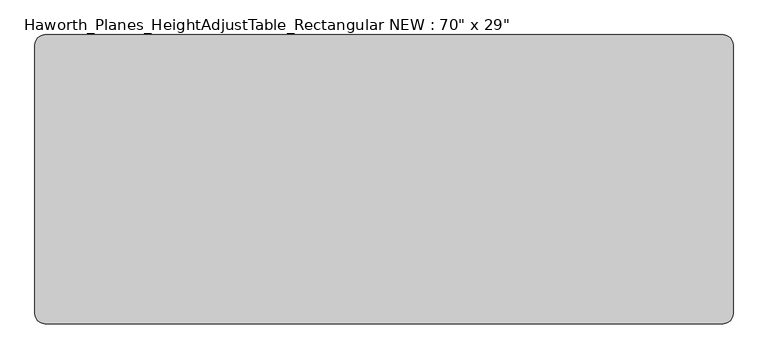
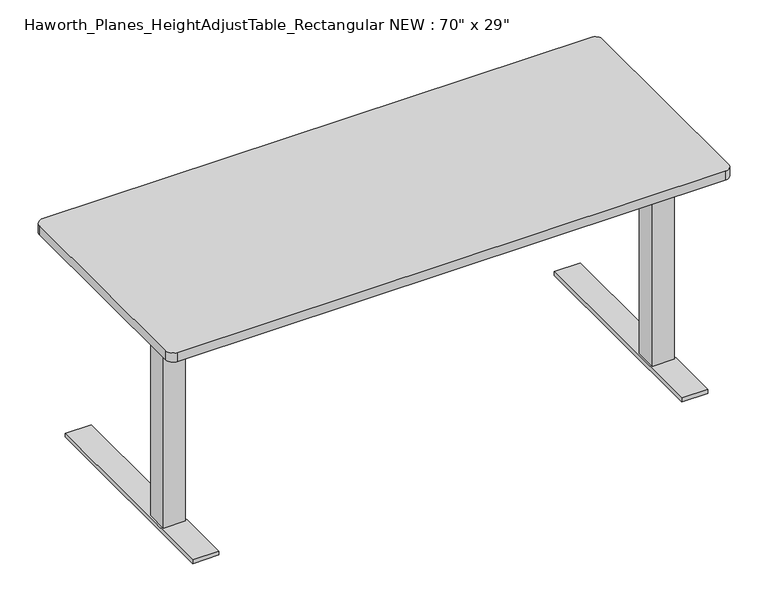
"""IFC4 building model written with IfcOpenShell, lengths in millimetres: furniture geometry."""

from ifc_helpers import new_model, si_unit, point, frame, frame_2d, origin, origin_with_axes, place, context, project, spatial, polyline, circle_curve, trimmed, segment, composite_curve, outline, extrude, faceted_brep, source, transform, mapped, element, save


def furniture_2aca1312(model_context):
    return source(origin(), model_context, "Body", "SolidModel", [
        extrude(outline(polyline([(741.3625, -185.7375), (741.3625, -125.4125), (801.6875, -125.4125), (801.6875, -185.7375), (741.3625, -185.7375)])), frame((0.0, 0.0, 598.4875), z_axis=(0.0, 0.0, 1.0), x_axis=(1.0, 0.0, 0.0)), (0.0, 0.0, 1.0), 107.95),
        faceted_brep([(730.25, -361.95, 9.525), (730.25, -361.95, 22.225), (730.25, 334.9625, 22.225), (730.25, 334.9625, 9.525), (812.8, -361.95, 9.525), (812.8, 334.9625, 9.525), (812.8, 334.9625, 22.225), (812.8, -361.95, 22.225), (736.6, -190.5, 598.4875), (806.45, -190.5, 598.4875), (806.45, -120.65, 598.4875), (736.6, -120.65, 598.4875), (736.6, -190.5, 22.225), (806.45, -190.5, 22.225), (806.45, -120.65, 22.225), (736.6, -120.65, 22.225)], [[[0, 1, 2, 3]], [[4, 5, 6, 7]], [[0, 3, 5, 4]], [[8, 9, 10, 11]], [[9, 8, 12, 13]], [[10, 9, 13, 14]], [[11, 10, 14, 15]], [[8, 11, 15, 12]], [[1, 0, 4, 7]], [[2, 1, 7, 6], [13, 12, 15, 14]], [[3, 2, 6, 5]]]),
        extrude(outline(polyline([(-317.5, 706.4375), (241.3, 706.4375), (241.3, 698.5), (-60.8782415, 639.7625), (-175.5257579, 639.7625), (-317.5, 697.1238172), (-317.5, 706.4375)])), frame((806.45, 0.0, 0.0), z_axis=(1.0, 0.0, 0.0), x_axis=(0.0, 1.0, 0.0)), (0.0, 0.0, 1.0), 3.175),
        extrude(outline(composite_curve([segment(trimmed(circle_curve(frame_2d((771.525, -293.6875)), 28.5342152), [point((800.0592152, -293.6875))], [point((742.9907848, -293.6875))], False, "CARTESIAN"), True, "CONTINUOUS"), segment(trimmed(circle_curve(frame_2d((771.525, -293.6875)), 28.5342152), [point((742.9907848, -293.6875))], [point((800.0592152, -293.6875))], False, "CARTESIAN"), True, "CONTINUOUS")], self_intersect=False)), origin_with_axes(), (0.0, 0.0, 1.0), 9.525),
        extrude(outline(composite_curve([segment(trimmed(circle_curve(frame_2d((771.525, 228.6)), 28.6553383), [point((800.1803383, 228.6))], [point((742.8696617, 228.6))], False, "CARTESIAN"), True, "CONTINUOUS"), segment(trimmed(circle_curve(frame_2d((771.525, 228.6)), 28.6553383), [point((742.8696617, 228.6))], [point((800.1803383, 228.6))], False, "CARTESIAN"), True, "CONTINUOUS")], self_intersect=False)), origin_with_axes(), (0.0, 0.0, 1.0), 9.525),
        extrude(outline(polyline([(-741.3625, -185.7375), (-801.6875, -185.7375), (-801.6875, -125.4125), (-741.3625, -125.4125), (-741.3625, -185.7375)])), frame((0.0, 0.0, 598.4875), z_axis=(0.0, 0.0, 1.0), x_axis=(1.0, 0.0, 0.0)), (0.0, 0.0, 1.0), 107.95),
        faceted_brep([(-730.25, -361.95, 9.525), (-730.25, 334.9625, 9.525), (-730.25, 334.9625, 22.225), (-730.25, -361.95, 22.225), (-812.8, -361.95, 9.525), (-812.8, -361.95, 22.225), (-812.8, 334.9625, 22.225), (-812.8, 334.9625, 9.525), (-736.6, -190.5, 598.4875), (-736.6, -120.65, 598.4875), (-806.45, -120.65, 598.4875), (-806.45, -190.5, 598.4875), (-806.45, -190.5, 22.225), (-736.6, -190.5, 22.225), (-806.45, -120.65, 22.225), (-736.6, -120.65, 22.225)], [[[0, 1, 2, 3]], [[4, 5, 6, 7]], [[0, 4, 7, 1]], [[8, 9, 10, 11]], [[11, 12, 13, 8]], [[10, 14, 12, 11]], [[9, 15, 14, 10]], [[8, 13, 15, 9]], [[3, 5, 4, 0]], [[2, 6, 5, 3], [12, 14, 15, 13]], [[1, 7, 6, 2]]]),
        extrude(outline(polyline([(-317.5, 706.4375), (241.3, 706.4375), (241.3, 698.5), (-60.8782415, 639.7625), (-175.5257579, 639.7625), (-317.5, 697.1238172), (-317.5, 706.4375)])), frame((-809.625, 0.0, 0.0), z_axis=(1.0, 0.0, 0.0), x_axis=(0.0, 1.0, 0.0)), (0.0, 0.0, 1.0), 3.175),
        extrude(outline(composite_curve([segment(trimmed(circle_curve(frame_2d((-771.525, -293.6875)), 28.5342152), [point((-800.0592152, -293.6875))], [point((-742.9907848, -293.6875))], False, "CARTESIAN"), True, "CONTINUOUS"), segment(trimmed(circle_curve(frame_2d((-771.525, -293.6875)), 28.5342152), [point((-742.9907848, -293.6875))], [point((-800.0592152, -293.6875))], False, "CARTESIAN"), True, "CONTINUOUS")], self_intersect=False)), origin_with_axes(), (0.0, 0.0, 1.0), 9.525),
        extrude(outline(composite_curve([segment(trimmed(circle_curve(frame_2d((-771.525, 228.6)), 28.6553383), [point((-800.1803383, 228.6))], [point((-742.8696617, 228.6))], False, "CARTESIAN"), True, "CONTINUOUS"), segment(trimmed(circle_curve(frame_2d((-771.525, 228.6)), 28.6553383), [point((-742.8696617, 228.6))], [point((-800.1803383, 228.6))], False, "CARTESIAN"), True, "CONTINUOUS")], self_intersect=False)), origin_with_axes(), (0.0, 0.0, 1.0), 9.525),
        extrude(outline(composite_curve([segment(trimmed(circle_curve(frame_2d((863.6, -342.9)), 25.4), [point((889.0, -342.9))], [point((863.6, -368.3))], False, "CARTESIAN"), True, "CONTINUOUS"), segment(polyline([(863.6, -368.3), (-863.6, -368.3)]), True, "CONTINUOUS"), segment(trimmed(circle_curve(frame_2d((-863.6, -342.9)), 25.4), [point((-863.6, -368.3))], [point((-889.0, -342.9))], False, "CARTESIAN"), True, "CONTINUOUS"), segment(polyline([(-889.0, -342.9), (-889.0, 342.9)]), True, "CONTINUOUS"), segment(trimmed(circle_curve(frame_2d((-863.6, 342.9)), 25.4), [point((-889.0, 342.9))], [point((-863.6, 368.3))], False, "CARTESIAN"), True, "CONTINUOUS"), segment(polyline([(-863.6, 368.3), (863.6, 368.3)]), True, "CONTINUOUS"), segment(trimmed(circle_curve(frame_2d((863.6, 342.9)), 25.4), [point((863.6, 368.3))], [point((889.0, 342.9))], False, "CARTESIAN"), True, "CONTINUOUS"), segment(polyline([(889.0, 342.9), (889.0, -342.9)]), True, "CONTINUOUS")], self_intersect=False)), frame((0.0, 0.0, 706.4375), z_axis=(0.0, 0.0, 1.0), x_axis=(1.0, 0.0, 0.0)), (0.0, 0.0, 1.0), 30.1625),
        extrude(outline(polyline([(-212.725, 692.15), (-234.95, 692.15), (-234.95, 706.4375), (-76.2, 706.4375), (-76.2, 692.15), (-98.425, 692.15), (-98.425, 652.4625), (-212.725, 652.4625), (-212.725, 692.15)])), frame((-806.45, 0.0, 0.0), z_axis=(1.0, 0.0, 0.0), x_axis=(0.0, 1.0, 0.0)), (0.0, 0.0, 1.0), 1612.9),
    ])


if __name__ == "__main__":
    model = new_model("IFC4")
    model_context = context("Model", 3, world=origin())
    ifc_project = project(units=[si_unit("LENGTHUNIT", "METRE", prefix="MILLI")], contexts=[model_context])
    site = spatial("IfcSite", under=ifc_project)
    building = spatial("IfcBuilding", under=site)
    placement = place(None, origin())
    furniture_shape = furniture_2aca1312(model_context)
    element("IfcFurniture", 1, ObjectType="Haworth_Planes_HeightAdjustTable_Rectangular NEW : 70\" x 29\"", at=placement, inside=building, context=model_context, shape_type="MappedRepresentation", body=[
        mapped(furniture_shape, transform((0.0, 0.0, 0.0), x_axis=(1.0, 0.0, 0.0), y_axis=(0.0, 1.0, 0.0), z_axis=(0.0, 0.0, 1.0))),
    ])
    save(model, "model.ifc")
